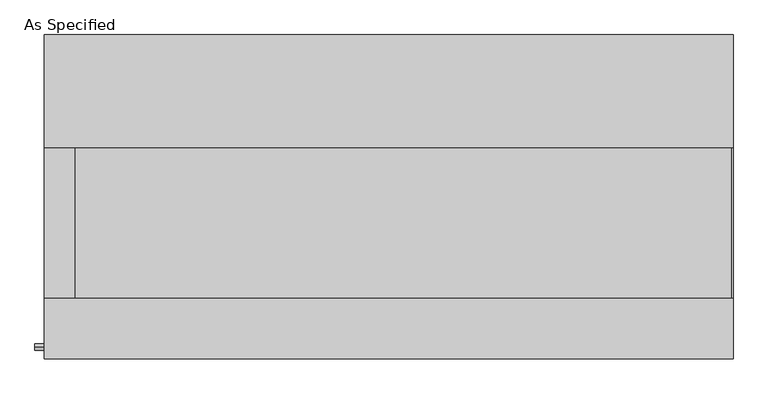
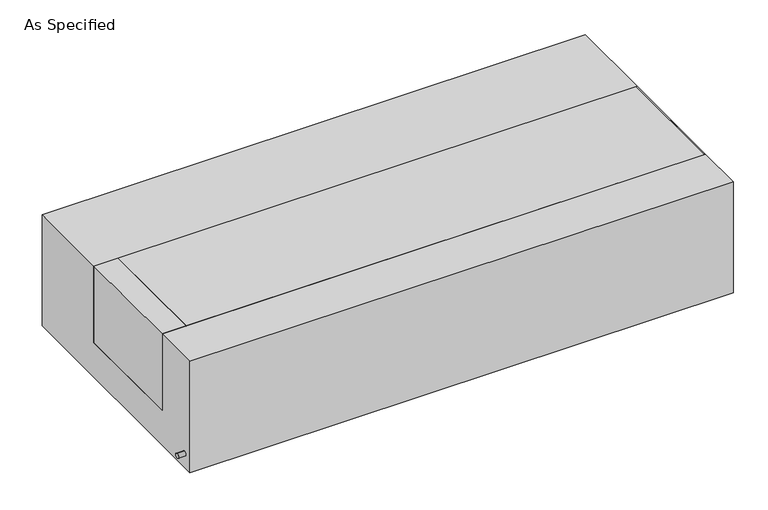
"""IFC4 building model written with IfcOpenShell, lengths in millimetres: proxy geometry, As Specified."""

from ifc_helpers import new_model, si_unit, point, frame, frame_2d, origin, place, context, project, spatial, polyline, circle_curve, trimmed, segment, composite_curve, outline, extrude, source, transform, mapped, element, save


def as_specified_7cd3a07c(model_context):
    return source(origin(), model_context, "Body", "SweptSolid", [
        extrude(outline(composite_curve([segment(trimmed(circle_curve(frame_2d((-509.5875, -466.725)), 10.5), [point((-509.5875, -456.225))], [point((-509.5875, -477.225))], False, "CARTESIAN"), True, "CONTINUOUS"), segment(trimmed(circle_curve(frame_2d((-509.5875, -466.725)), 10.5), [point((-509.5875, -477.225))], [point((-509.5875, -456.225))], False, "CARTESIAN"), True, "CONTINUOUS")], self_intersect=False)), frame((-1198.6528384, 0.0, 0.0), z_axis=(1.0, 0.0, 0.0), x_axis=(0.0, 1.0, 0.0)), (0.0, 0.0, 1.0), 31.8403384),
        extrude(outline(polyline([(-1064.41875, 165.1), (-1064.41875, -342.9), (-1166.8125, -342.9), (-1166.8125, 165.1), (-1064.41875, 165.1)])), frame((0.0, 0.0, -373.0625), z_axis=(0.0, 0.0, 1.0), x_axis=(1.0, 0.0, 0.0)), (0.0, 0.0, 1.0), 347.6625),
        extrude(outline(polyline([(1162.84375, 165.1), (1166.8125, 165.1), (1166.8125, -342.9), (1162.84375, -342.9), (1162.84375, 165.1)])), frame((0.0, 0.0, -39.6875), z_axis=(0.0, 0.0, 1.0), x_axis=(1.0, 0.0, 0.0)), (0.0, 0.0, 1.0), 14.2875),
        extrude(outline(polyline([(1166.8125, 165.1), (1166.8125, -342.9), (-1064.41875, -342.9), (-1064.41875, 165.1), (1166.8125, 165.1)])), frame((0.0, 0.0, -373.0625), z_axis=(0.0, 0.0, 1.0), x_axis=(1.0, 0.0, 0.0)), (0.0, 0.0, 1.0), 347.6625),
        extrude(outline(polyline([(549.275, -25.4), (549.275, -530.225), (-549.275, -530.225), (-549.275, -25.4), (-342.9, -25.4), (-342.9, -373.0625), (165.1, -373.0625), (165.1, -25.4), (549.275, -25.4)])), frame((-1166.8125, 0.0, 0.0), z_axis=(1.0, 0.0, 0.0), x_axis=(0.0, 1.0, 0.0)), (0.0, 0.0, 1.0), 2333.625),
    ])


if __name__ == "__main__":
    model = new_model("IFC4")
    model_context = context("Model", 3, world=origin())
    ifc_project = project(units=[si_unit("LENGTHUNIT", "METRE", prefix="MILLI")], contexts=[model_context])
    site = spatial("IfcSite", under=ifc_project)
    building = spatial("IfcBuilding", under=site)
    placement = place(None, origin())
    as_specified_shape = as_specified_7cd3a07c(model_context)
    element("IfcBuildingElementProxy", 1, Name="As Specified", ObjectType="As Specified", at=placement, inside=building, context=model_context, shape_type="MappedRepresentation", body=[
        mapped(as_specified_shape, transform((0.0, 0.0, 0.0), x_axis=(1.0, 0.0, 0.0), y_axis=(0.0, 1.0, 0.0), z_axis=(0.0, 0.0, 1.0))),
    ])
    save(model, "model.ifc")
